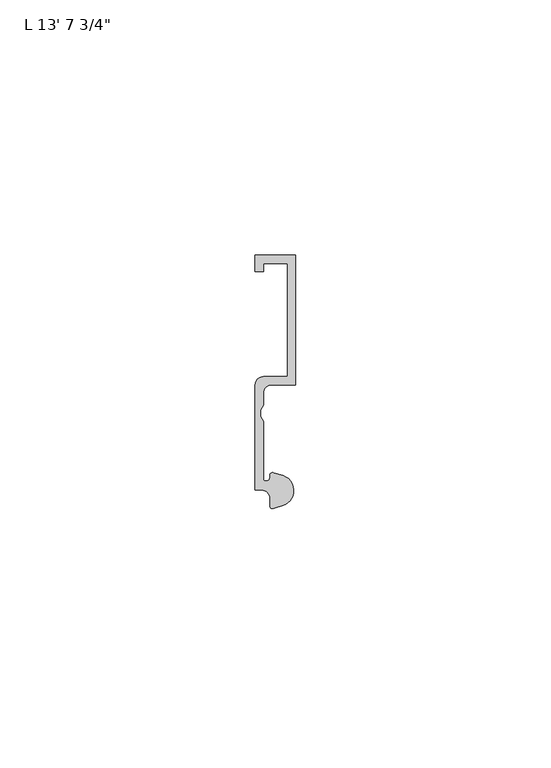
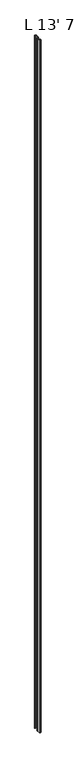
"""IFC4 building model written with IfcOpenShell, lengths in millimetres: proxy geometry."""

from ifc_helpers import new_model, si_unit, point, frame_2d, origin, origin_with_axes, place, context, project, spatial, polyline, circle_curve, trimmed, segment, composite_curve, outline, extrude, source, transform, mapped, element, save


def proxy_277372b0(model_context):
    return source(origin(), model_context, "Body", "SweptSolid", [
        extrude(outline(composite_curve([segment(polyline([(5.4099313, 0.6224223), (3.5749842, 0.0497144)]), True, "CONTINUOUS"), segment(trimmed(circle_curve(frame_2d((3.3646912, 0.4696291)), 0.4696291), [point((3.5749842, 0.0497144))], [point((2.8950622, 0.4696291))], False, "CARTESIAN"), True, "CONTINUOUS"), segment(polyline([(2.8950622, 0.4696291), (2.8950622, 2.0112392)]), True, "CONTINUOUS"), segment(trimmed(circle_curve(frame_2d((1.3075622, 2.0112392)), 1.5875), [point((2.8950622, 2.0112392))], [point((1.3075622, 3.5987392))], True, "CARTESIAN"), True, "CONTINUOUS"), segment(polyline([(1.3075622, 3.5987392), (0.0, 3.5987392), (0.0, 24.2362392)]), True, "CONTINUOUS"), segment(trimmed(circle_curve(frame_2d((1.5875, 24.2362392)), 1.5875), [point((0.0, 24.2362392))], [point((1.5875, 25.8237392))], False, "CARTESIAN"), True, "CONTINUOUS"), segment(polyline([(1.5875, 25.8237392), (6.35, 25.8237392), (6.35, 48.0300641), (1.5875, 48.0300641), (1.5875, 46.4425641), (0.0, 46.4425641), (0.0, 49.6175641), (7.9375, 49.6175641), (7.9375, 24.2134797), (3.175, 24.2134797)]), True, "CONTINUOUS"), segment(trimmed(circle_curve(frame_2d((3.175, 22.6259797)), 1.5875), [point((3.175, 24.2134797))], [point((1.5875, 22.6259797))], True, "CARTESIAN"), True, "CONTINUOUS"), segment(polyline([(1.5875, 22.6259797), (1.5875, 20.2473512), (1.0783361, 19.3299316), (1.0783361, 17.9897709), (1.5875, 17.0723512), (1.5875, 5.8847392)]), True, "CONTINUOUS"), segment(trimmed(circle_curve(frame_2d((2.0955, 5.8847392)), 0.508), [point((1.5875, 5.8847392))], [point((2.1123834, 5.3770198))], True, "CARTESIAN"), True, "CONTINUOUS"), segment(trimmed(circle_curve(frame_2d((2.1330622, 6.1387392)), 0.762), [point((2.1123834, 5.3770198))], [point((2.8720827, 6.3244611))], True, "CARTESIAN"), True, "CONTINUOUS"), segment(trimmed(circle_curve(frame_2d((3.4254762, 6.4635334)), 0.5706009), [point((2.8720827, 6.3244611))], [point((3.6135887, 7.0022347))], False, "CARTESIAN"), True, "CONTINUOUS"), segment(polyline([(3.6135887, 7.0022347), (5.4099313, 6.4415757)]), True, "CONTINUOUS"), segment(trimmed(circle_curve(frame_2d((4.5018192, 3.531999)), 3.048), [point((5.4099313, 6.4415757))], [point((7.1037699, 1.944499))], False, "CARTESIAN"), True, "CONTINUOUS"), segment(trimmed(circle_curve(frame_2d((4.5018192, 3.531999)), 3.048), [point((7.1037699, 1.944499))], [point((5.4099313, 0.6224223))], False, "CARTESIAN"), True, "CONTINUOUS")], self_intersect=False)), origin_with_axes(), (0.0, 0.0, 1.0), 4159.25),
    ])


if __name__ == "__main__":
    model = new_model("IFC4")
    model_context = context("Model", 3, world=origin())
    ifc_project = project(units=[si_unit("LENGTHUNIT", "METRE", prefix="MILLI")], contexts=[model_context])
    site = spatial("IfcSite", under=ifc_project)
    building = spatial("IfcBuilding", under=site)
    placement = place(None, origin())
    proxy_shape = proxy_277372b0(model_context)
    element("IfcBuildingElementProxy", 1, Name="L 13' 7 3/4\"", ObjectType="L 13' 7 3/4\"", at=placement, inside=building, context=model_context, shape_type="MappedRepresentation", body=[
        mapped(proxy_shape, transform((0.0, 0.0, 0.0), x_axis=(1.0, 0.0, 0.0), y_axis=(0.0, 1.0, 0.0), z_axis=(0.0, 0.0, 1.0))),
    ])
    save(model, "model.ifc")
